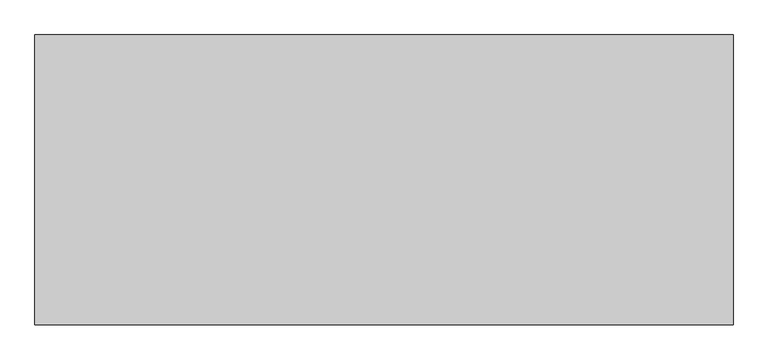
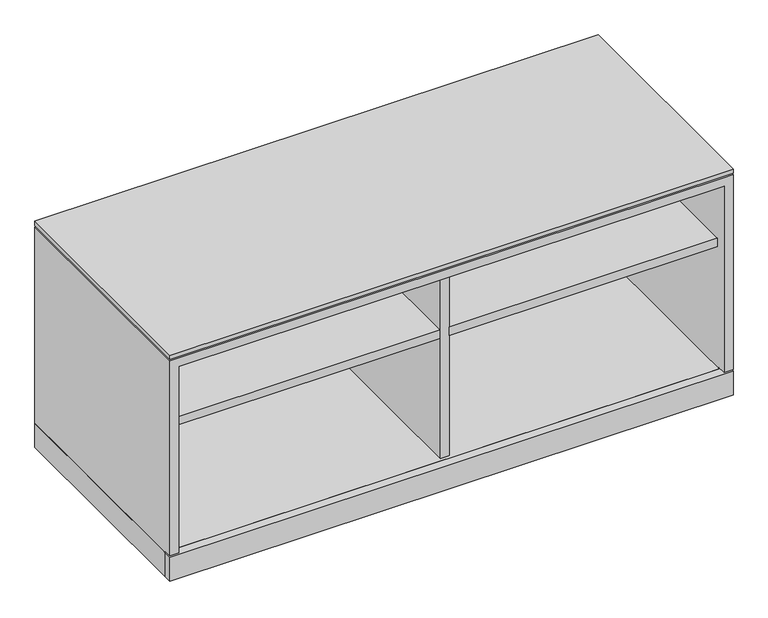
"""IFC4 building model written with IfcOpenShell, lengths in millimetres: furniture geometry."""

from ifc_helpers import new_model, si_unit, frame, origin, origin_with_axes, place, context, project, spatial, polyline, outline, extrude, faceted_brep, source, transform, mapped, element, save


def furniture_613a93f2(model_context):
    return source(origin(), model_context, "Body", "SolidModel", [
        extrude(outline(polyline([(1217.6125, -1.524), (1217.6125, -487.045), (1.5875, -487.045), (1.5875, -1.524), (1217.6125, -1.524)])), frame((0.0, 0.0, 4.1013713), z_axis=(0.0, 0.0, 1.0), x_axis=(1.0, 0.0, 0.0)), (0.0, 0.0, 1.0), 54.6488287),
        extrude(outline(polyline([(599.313, -480.695), (20.8915, -480.695), (20.8915, -20.828), (599.313, -20.828), (599.313, -480.695)])), frame((0.0, 0.0, 333.7306), z_axis=(0.0, 0.0, 1.0), x_axis=(1.0, 0.0, 0.0)), (0.0, 0.0, 1.0), 19.304),
        extrude(outline(polyline([(1198.3085, -480.695), (619.887, -480.695), (619.887, -20.828), (1198.3085, -20.828), (1198.3085, -480.695)])), frame((0.0, 0.0, 333.7306), z_axis=(0.0, 0.0, 1.0), x_axis=(1.0, 0.0, 0.0)), (0.0, 0.0, 1.0), 19.304),
        extrude(outline(polyline([(1217.6125, -487.045), (1217.6125, -506.349), (1.5875, -506.349), (1.5875, -487.045), (1217.6125, -487.045)])), frame((0.0, 0.0, 4.1013713), z_axis=(0.0, 0.0, 1.0), x_axis=(1.0, 0.0, 0.0)), (0.0, 0.0, 1.0), 54.6488287),
        extrude(outline(polyline([(46.1772, -27.7114), (61.8363, -36.7521856), (61.8363, -54.8337568), (46.1772, -63.8745424), (30.5181, -54.8337568), (30.5181, -36.7521856), (46.1772, -27.7114)])), origin_with_axes(), (0.0, 0.0, 1.0), 8.4328),
        extrude(outline(polyline([(46.1772, -480.1616), (30.5181, -471.1208144), (30.5181, -453.0392432), (46.1772, -443.9984576), (61.8363, -453.0392432), (61.8363, -471.1208144), (46.1772, -480.1616)])), origin_with_axes(), (0.0, 0.0, 1.0), 8.4328),
        extrude(outline(polyline([(1173.0228, -27.7114), (1188.6819, -36.7521856), (1188.6819, -54.8337568), (1173.0228, -63.8745424), (1157.3637, -54.8337568), (1157.3637, -36.7521856), (1173.0228, -27.7114)])), origin_with_axes(), (0.0, 0.0, 1.0), 8.4328),
        extrude(outline(polyline([(1173.0228, -480.1616), (1157.3637, -471.1208144), (1157.3637, -453.0392432), (1173.0228, -443.9984576), (1188.6819, -453.0392432), (1188.6819, -471.1208144), (1173.0228, -480.1616)])), origin_with_axes(), (0.0, 0.0, 1.0), 8.4328),
        extrude(outline(polyline([(1217.6125, -506.349), (1.5875, -506.349), (1.5875, -1.524), (1217.6125, -1.524), (1217.6125, -506.349)])), frame((0.0, 0.0, 510.5654), z_axis=(0.0, 0.0, 1.0), x_axis=(1.0, 0.0, 0.0)), (0.0, 0.0, 1.0), 9.779),
        extrude(outline(polyline([(619.252, -480.695), (599.948, -480.695), (599.948, -20.828), (619.252, -20.828), (619.252, -480.695)])), frame((0.0, 0.0, 58.7502), z_axis=(0.0, 0.0, 1.0), x_axis=(1.0, 0.0, 0.0)), (0.0, 0.0, 1.0), 429.3362),
        faceted_brep([(1217.6125, -506.349, 507.3904), (1.5875, -506.349, 507.3904), (1.5875, -506.349, 61.9252), (20.8915, -506.349, 61.9252), (20.8915, -506.349, 488.0864), (1198.3085, -506.349, 488.0864), (1198.3085, -506.349, 61.9252), (1217.6125, -506.349, 61.9252), (1217.6125, -1.524, 507.3904), (1217.6125, -1.524, 58.7502), (1.5875, -1.524, 58.7502), (1.5875, -1.524, 507.3904), (1.5875, -487.045, 58.7502), (1.5875, -487.045, 61.9252), (1217.6125, -487.045, 61.9252), (1217.6125, -487.045, 58.7502), (1198.3085, -20.828, 488.0864), (20.8915, -20.828, 488.0864), (20.8915, -20.828, 58.7502), (1198.3085, -20.828, 58.7502), (20.8915, -487.045, 61.9252), (20.8915, -487.045, 58.7502), (1198.3085, -487.045, 58.7502), (1198.3085, -487.045, 61.9252)], [[[0, 1, 2, 3, 4, 5, 6, 7]], [[8, 9, 10, 11]], [[1, 0, 8, 11]], [[11, 10, 12, 13, 2, 1]], [[9, 8, 0, 7, 14, 15]], [[16, 17, 18, 19]], [[17, 16, 5, 4]], [[18, 17, 4, 3, 20, 21]], [[16, 19, 22, 23, 6, 5]], [[10, 9, 15, 22, 19, 18, 21, 12]], [[20, 13, 12, 21]], [[14, 23, 22, 15]], [[13, 20, 3, 2]], [[23, 14, 7, 6]]]),
    ])


if __name__ == "__main__":
    model = new_model("IFC4")
    model_context = context("Model", 3, world=origin())
    ifc_project = project(units=[si_unit("LENGTHUNIT", "METRE", prefix="MILLI")], contexts=[model_context])
    site = spatial("IfcSite", under=ifc_project)
    building = spatial("IfcBuilding", under=site)
    placement = place(None, origin())
    furniture_shape = furniture_613a93f2(model_context)
    element("IfcFurniture", 1, at=placement, inside=building, context=model_context, shape_type="MappedRepresentation", body=[
        mapped(furniture_shape, transform((0.0, 0.0, 0.0), x_axis=(1.0, 0.0, 0.0), y_axis=(0.0, 1.0, 0.0), z_axis=(0.0, 0.0, 1.0))),
    ])
    save(model, "model.ifc")
